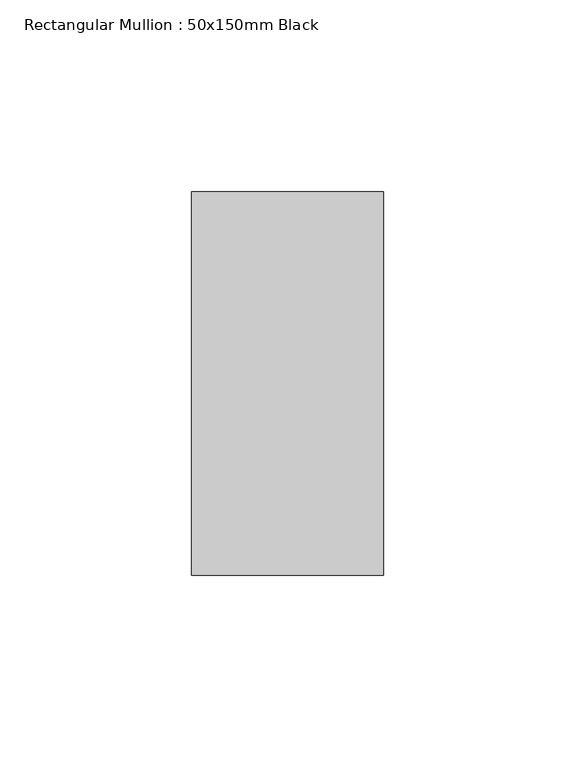
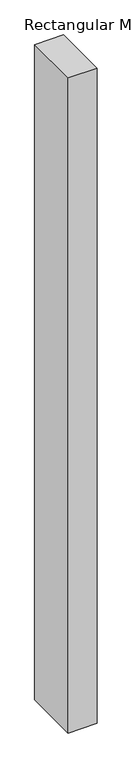
"""IFC4 building model written with IfcOpenShell, lengths in millimetres: member geometry, Rectangular Mullion : 50x150mm Black."""

from ifc_helpers import new_model, si_unit, frame, origin, place, context, project, spatial, polyline, outline, extrude, source, transform, mapped, element, save


def rectangular_mullion_50x150mm_black_eb63e253(model_context):
    return source(origin(), model_context, "Body", "SweptSolid", [
        extrude(outline(polyline([(25.0, 50.0), (25.0, -50.0), (-25.0, -50.0), (-25.0, 50.0), (25.0, 50.0)])), frame((0.0, 0.0, -1195.0000003), z_axis=(0.0, 0.0, 1.0), x_axis=(1.0, 0.0, 0.0)), (0.0, 0.0, 1.0), 1195.0000003),
    ])


if __name__ == "__main__":
    model = new_model("IFC4")
    model_context = context("Model", 3, world=origin())
    ifc_project = project(units=[si_unit("LENGTHUNIT", "METRE", prefix="MILLI")], contexts=[model_context])
    site = spatial("IfcSite", under=ifc_project)
    building = spatial("IfcBuilding", under=site)
    placement = place(None, origin())
    rectangular_mullion_50x150mm_black_shape = rectangular_mullion_50x150mm_black_eb63e253(model_context)
    element("IfcMember", 1, ObjectType="Rectangular Mullion : 50x150mm Black", at=placement, inside=building, context=model_context, shape_type="MappedRepresentation", body=[
        mapped(rectangular_mullion_50x150mm_black_shape, transform((0.0, 0.0, 0.0), x_axis=(1.0, 0.0, 0.0), y_axis=(0.0, 1.0, 0.0), z_axis=(0.0, 0.0, 1.0))),
    ])
    save(model, "model.ifc")
